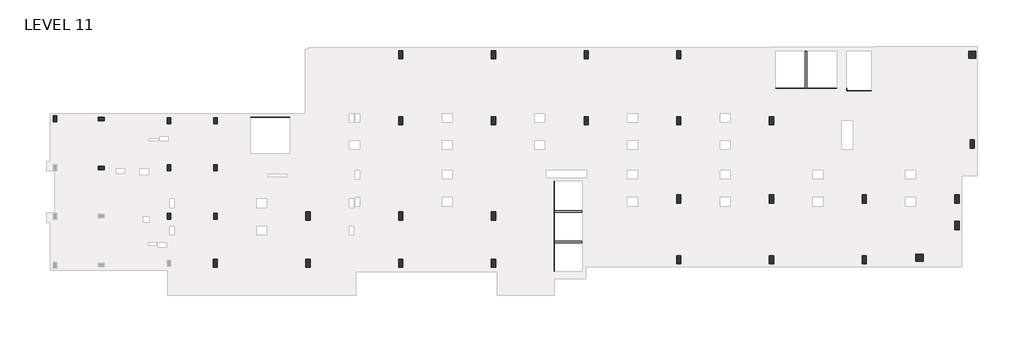
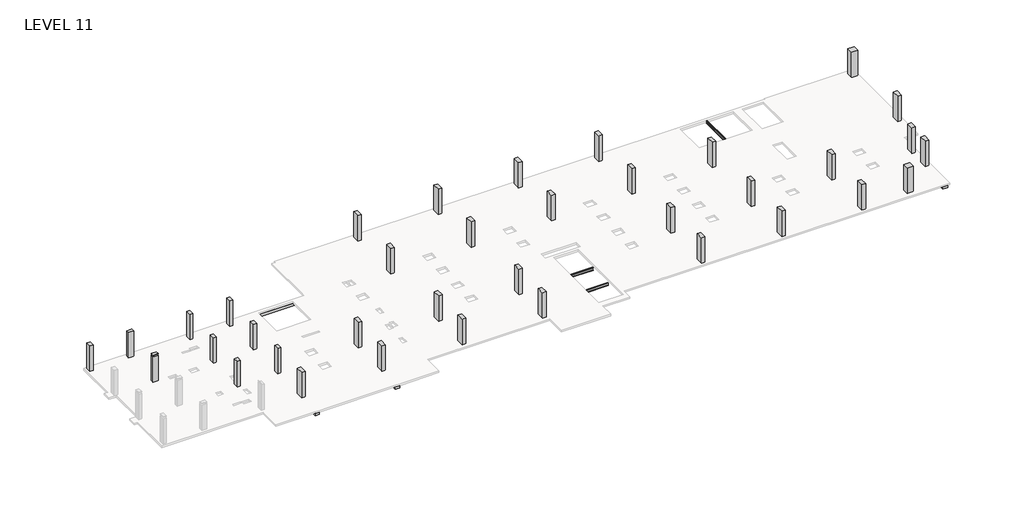
# One storey, part 2 of 2: 36 columns, 12 beams.
"""IFC4 building model written with IfcOpenShell, lengths in millimetres."""

import ifcopenshell
import ifcopenshell.guid

model = None  # the IFC model being written
_history = None  # IfcOwnerHistory: only IFC2X3 demands one
_inside = {}  # id of a spatial element -> (the spatial element, [elements in it])
_under = {}  # id of a project, library or spatial element -> (it, [spatial elements below it])
_declared = {}  # id of a project -> (the project, [libraries it declares])
_typed = {}  # id of a type object -> (the type object, [elements of that type])
_made_of = {}  # id of a material, layer set ... -> (it, [elements and type objects made of it])


def new_model(schema):
    """Start an empty IFC model of exactly this schema.

    Asked for "IFC4X3", IfcOpenShell would pick the latest addendum, in which some entities
    have other attributes; the version numbers below select the first issue.
    IFC2X3 requires an IfcOwnerHistory on every rooted entity: one is made here for all.
    """
    global model, _history
    if schema == "IFC4X3":
        model = ifcopenshell.file(schema_version=(4, 3, 0, 0))
    else:
        model = ifcopenshell.file(schema=schema)
    _inside.clear()
    _under.clear()
    _declared.clear()
    _typed.clear()
    _made_of.clear()
    _history = None
    if model.schema == "IFC2X3":
        org = make("IfcOrganization", Name="unknown")
        user = make(
            "IfcPersonAndOrganization",
            ThePerson=make("IfcPerson", FamilyName="unknown"),
            TheOrganization=org,
        )
        app = make(
            "IfcApplication",
            ApplicationDeveloper=org,
            Version="unknown",
            ApplicationFullName="unknown",
            ApplicationIdentifier="unknown",
        )
        _history = make(
            "IfcOwnerHistory",
            OwningUser=user,
            OwningApplication=app,
            ChangeAction="ADDED",
            CreationDate=0,
        )
    return model


def make(cls, **values):
    """One entity of the class cls with the attributes given. An attribute that is None is left unset."""
    return model.create_entity(
        cls, **{name: value for name, value in values.items() if value is not None}
    )


def rooted(cls, **values):
    """An entity with a GlobalId (a new one), such as an element, a storey or a relation."""
    return make(cls, GlobalId=ifcopenshell.guid.new(), OwnerHistory=_history, **values)


def si_unit(unit_type, name, prefix=None):
    """IfcSIUnit, for example si_unit("LENGTHUNIT", "METRE", prefix="MILLI")."""
    return make("IfcSIUnit", UnitType=unit_type, Prefix=prefix, Name=name)


def assignment(units):
    """IfcUnitAssignment: the units of a project."""
    return None if units is None else make("IfcUnitAssignment", Units=units)


def point(xyz):
    """IfcCartesianPoint."""
    return None if xyz is None else make("IfcCartesianPoint", Coordinates=xyz)


def direction(xyz):
    """IfcDirection."""
    return None if xyz is None else make("IfcDirection", DirectionRatios=xyz)


def frame(location, z_axis=None, x_axis=None):
    """IfcAxis2Placement3D, a coordinate frame: its origin and axes. An axis left out is left unset."""
    return make(
        "IfcAxis2Placement3D",
        Location=point(location),
        Axis=direction(z_axis),
        RefDirection=direction(x_axis),
    )


def frame_2d(location, x_axis=None):
    """IfcAxis2Placement2D, a coordinate frame in the plane: its origin and x axis."""
    return make(
        "IfcAxis2Placement2D", Location=point(location), RefDirection=direction(x_axis)
    )


def origin():
    """The frame at (0, 0, 0) with its axes left unset."""
    return frame((0.0, 0.0, 0.0))


def place(relative_to, where):
    """IfcLocalPlacement: puts the frame where relative to a parent placement (None: the world)."""
    return make(
        "IfcLocalPlacement", PlacementRelTo=relative_to, RelativePlacement=where
    )


def context(
    kind, dimensions, precision=None, world=None, true_north=None, identifier=None
):
    """IfcGeometricRepresentationContext, for example the 3D "Model" context."""
    return make(
        "IfcGeometricRepresentationContext",
        ContextIdentifier=identifier,
        ContextType=kind,
        CoordinateSpaceDimension=dimensions,
        Precision=precision,
        WorldCoordinateSystem=world,
        TrueNorth=true_north,
    )


def project(units=None, contexts=None):
    """IfcProject with its units and contexts."""
    return rooted(
        "IfcProject",
        Name="project",
        RepresentationContexts=contexts,
        UnitsInContext=assignment(units),
    )


def spatial(cls, under=None, at=None, **own):
    """A site, building, storey or space (cls), placed at a placement, below another one or the project."""
    s = rooted(cls, ObjectPlacement=at, **own)
    if under is not None:
        _under.setdefault(under.id(), (under, []))[1].append(s)
    return s


def polyline(points):
    """IfcPolyline through the points."""
    return make("IfcPolyline", Points=[point(p) for p in points])


def circle_curve(where, radius):
    """IfcCircle in the frame where."""
    return make("IfcCircle", Position=where, Radius=radius)


def trimmed(basis, trim1, trim2, sense, master):
    """IfcTrimmedCurve: the piece of a basis curve between two trims."""
    return make(
        "IfcTrimmedCurve",
        BasisCurve=basis,
        Trim1=trim1,
        Trim2=trim2,
        SenseAgreement=sense,
        MasterRepresentation=master,
    )


def segment(curve, same_sense, transition):
    """IfcCompositeCurveSegment."""
    return make(
        "IfcCompositeCurveSegment",
        Transition=transition,
        SameSense=same_sense,
        ParentCurve=curve,
    )


def composite_curve(segments, self_intersect=None):
    """IfcCompositeCurve: segments joined end to end."""
    return make("IfcCompositeCurve", Segments=segments, SelfIntersect=self_intersect)


def outline(outer, holes=None, kind="AREA"):
    """IfcArbitraryClosedProfileDef: a profile drawn as a closed curve; with holes, ...WithVoids."""
    if holes is None:
        return make("IfcArbitraryClosedProfileDef", ProfileType=kind, OuterCurve=outer)
    return make(
        "IfcArbitraryProfileDefWithVoids",
        ProfileType=kind,
        OuterCurve=outer,
        InnerCurves=holes,
    )


def extrude(swept, where, along, depth):
    """IfcExtrudedAreaSolid: the profile swept, set in the frame where, extruded along a direction by depth."""
    return make(
        "IfcExtrudedAreaSolid",
        SweptArea=swept,
        Position=where,
        ExtrudedDirection=direction(along),
        Depth=depth,
    )


def faces_of(points, faces, orient=None, outer=None):
    """IfcFace entities. A face is a list of loops; a loop is a list of indices into points, from 0.

    orient and outer hold one flag for each loop. By default every Orientation is true, the
    first loop of a face is its IfcFaceOuterBound and the others are IfcFaceBound.
    """
    made = []
    for i, loops in enumerate(faces):
        bounds = []
        for j, loop in enumerate(loops):
            is_outer = j == 0 if outer is None else outer[i][j]
            bounds.append(
                make(
                    "IfcFaceOuterBound" if is_outer else "IfcFaceBound",
                    Bound=make("IfcPolyLoop", Polygon=[points[k] for k in loop]),
                    Orientation=True if orient is None else orient[i][j],
                )
            )
        made.append(make("IfcFace", Bounds=bounds))
    return made


def faceted_brep(points, faces, orient=None, outer=None, voids=None):
    """IfcFacetedBrep: a solid bounded by flat faces; with voids (closed shells), ...WithVoids."""
    shared = [point(p) for p in points]
    hull = make("IfcClosedShell", CfsFaces=faces_of(shared, faces, orient, outer))
    if voids is None:
        return make("IfcFacetedBrep", Outer=hull)
    return make(
        "IfcFacetedBrepWithVoids",
        Outer=hull,
        Voids=[
            make(cls, CfsFaces=faces_of(shared, fs, o, b)) for cls, fs, o, b in voids
        ],
    )


def shape(context_of_items, identifier, shape_type, items):
    """IfcShapeRepresentation: the items that make up one representation, for example the "Body"."""
    return make(
        "IfcShapeRepresentation",
        ContextOfItems=context_of_items,
        RepresentationIdentifier=identifier,
        RepresentationType=shape_type,
        Items=items,
    )


def source(mapping_origin, context_of_items, identifier, shape_type, items):
    """IfcRepresentationMap: a shape defined once, which mapped items show again and again."""
    return make(
        "IfcRepresentationMap",
        MappingOrigin=mapping_origin,
        MappedRepresentation=shape(context_of_items, identifier, shape_type, items),
    )


def transform(
    local_origin,
    x_axis=None,
    y_axis=None,
    z_axis=None,
    scale=None,
    scale2=None,
    scale3=None,
    uniform=True,
):
    """IfcCartesianTransformationOperator3D, or its non-uniform kind. x_axis, y_axis, z_axis: its Axis1, 2, 3."""
    if uniform:
        return make(
            "IfcCartesianTransformationOperator3D",
            Axis1=direction(x_axis),
            Axis2=direction(y_axis),
            LocalOrigin=point(local_origin),
            Scale=scale,
            Axis3=direction(z_axis),
        )
    return make(
        "IfcCartesianTransformationOperator3DnonUniform",
        Axis1=direction(x_axis),
        Axis2=direction(y_axis),
        LocalOrigin=point(local_origin),
        Scale=scale,
        Axis3=direction(z_axis),
        Scale2=scale2,
        Scale3=scale3,
    )


def mapped(mapping_source, mapping_target):
    """IfcMappedItem: shows the shape of a source again, moved by a transform."""
    return make(
        "IfcMappedItem", MappingSource=mapping_source, MappingTarget=mapping_target
    )


def made_of(thing, what):
    """Note that an element or type object is made of a material, layer set ...; save() writes the relation."""
    if what is not None:
        _made_of.setdefault(what.id(), (what, []))[1].append(thing)
    return thing


def element(
    cls,
    number,
    at=None,
    inside=None,
    cuts=None,
    type_object=None,
    material=None,
    context=None,
    identifier="Body",
    shape_type=None,
    held_by="IfcProductDefinitionShape",
    body=None,
    shapes=None,
    **own,
):
    """One element of the class cls, such as IfcWall. Its Tag is "e" and its number.

    at: its placement. inside: the storey or other place that contains it. cuts: it is an
    opening in that element (IfcRelVoidsElement). A single representation is given by context,
    identifier, shape_type and body (its items); several are given by shapes. held_by: the class
    of the entity that holds the representations. save() writes the other relations.
    """
    e = rooted(cls, Tag="e%d" % number, ObjectPlacement=at, **own)
    if body is not None:
        shapes = [shape(context, identifier, shape_type, body)]
    if shapes is not None:
        e.Representation = make(held_by, Representations=shapes)
    if inside is not None:
        _inside.setdefault(inside.id(), (inside, []))[1].append(e)
    if cuts is not None:
        rooted(
            "IfcRelVoidsElement", RelatingBuildingElement=cuts, RelatedOpeningElement=e
        )
    if type_object is not None:
        _typed.setdefault(type_object.id(), (type_object, []))[1].append(e)
    return made_of(e, material)


def aggregate(whole, parts):
    """IfcRelAggregates: a whole, such as a stair, and the parts it consists of."""
    return rooted("IfcRelAggregates", RelatingObject=whole, RelatedObjects=parts)


def save(model, path):
    """Write the relations noted so far, then the file.

    IfcRelAggregates (storeys below a building ...), IfcRelContainedInSpatialStructure (elements
    in a storey), IfcRelDefinesByType, IfcRelAssociatesMaterial and IfcRelDeclares: one each for
    every whole, place, type object, material and project.
    """
    for whole, parts in _under.values():
        aggregate(whole, parts)
    for where, things in _inside.values():
        rooted(
            "IfcRelContainedInSpatialStructure",
            RelatedElements=things,
            RelatingStructure=where,
        )
    for kind, things in _typed.values():
        rooted("IfcRelDefinesByType", RelatedObjects=things, RelatingType=kind)
    for what, things in _made_of.values():
        rooted("IfcRelAssociatesMaterial", RelatedObjects=things, RelatingMaterial=what)
    for by, libraries in _declared.values():
        rooted("IfcRelDeclares", RelatingContext=by, RelatedDefinitions=libraries)
    model.write(path)


def w_wide_flange_w10x19_b56fd17f(model_context):
    return source(origin(), model_context, "Body", "SweptSolid", [
        extrude(outline(composite_curve([segment(polyline([(51.054, -119.507), (51.054, -129.54), (-51.054, -129.54), (-51.054, -119.507), (-16.9545, -119.507)]), True, "CONTINUOUS"), segment(trimmed(circle_curve(frame_2d((-16.9545, -105.7275)), 13.7795), [point((-16.9545, -119.507))], [point((-3.175, -105.7275))], True, "CARTESIAN"), True, "CONTINUOUS"), segment(polyline([(-3.175, -105.7275), (-3.175, 105.7275)]), True, "CONTINUOUS"), segment(trimmed(circle_curve(frame_2d((-16.9545, 105.7275)), 13.7795), [point((-3.175, 105.7275))], [point((-16.9545, 119.507))], True, "CARTESIAN"), True, "CONTINUOUS"), segment(polyline([(-16.9545, 119.507), (-51.054, 119.507), (-51.054, 129.54), (51.054, 129.54), (51.054, 119.507), (16.9545, 119.507)]), True, "CONTINUOUS"), segment(trimmed(circle_curve(frame_2d((16.9545, 105.7275)), 13.7795), [point((16.9545, 119.507))], [point((3.175, 105.7275))], True, "CARTESIAN"), True, "CONTINUOUS"), segment(polyline([(3.175, 105.7275), (3.175, -105.7275)]), True, "CONTINUOUS"), segment(trimmed(circle_curve(frame_2d((16.9545, -105.7275)), 13.7795), [point((3.175, -105.7275))], [point((16.9545, -119.507))], True, "CARTESIAN"), True, "CONTINUOUS"), segment(polyline([(16.9545, -119.507), (51.054, -119.507)]), True, "CONTINUOUS")], self_intersect=False)), frame((-1181.1, 0.0, 0.0), z_axis=(1.0, 0.0, 0.0), x_axis=(0.0, 1.0, 0.0)), (0.0, 0.0, 1.0), 2362.2),
    ])


model = new_model("IFC4")

# Units and contexts
model_context = context("Model", 3, world=origin())
ifc_project = project(units=[si_unit("LENGTHUNIT", "METRE", prefix="MILLI")], contexts=[model_context])

# Site, building, storey
site = spatial("IfcSite", under=ifc_project)
building = spatial("IfcBuilding", under=site)
storey = spatial("IfcBuildingStorey", under=building, Name="LEVEL 11", Elevation=33121.6)

# Beams
placement = place(None, origin())
element("IfcBeam", 1, ObjectType="Concrete-Rectangular Beam : BM(16x16)", at=placement, inside=storey, context=model_context, shape_type="SweptSolid", body=[
    extrude(outline(polyline([(1153.0389942, -36213.0107149), (746.6389942, -36213.0107149), (746.6389942, -29189.8962158), (797.4389942, -29189.8962158), (797.4389942, -29697.8962158), (1102.2389942, -29697.8962158), (1102.2389942, -29189.8962158), (1153.0389942, -29189.8962158), (1153.0389942, -36213.0107149)]), holes=[polyline([(1127.6389942, -33838.1107149), (1127.6389942, -33126.9107149), (772.0389942, -33126.9107149), (772.0389942, -33838.1107149), (1127.6389942, -33838.1107149)])]), frame((0.0, 0.0, 32715.2), z_axis=(0.0, 0.0, 1.0), x_axis=(1.0, 0.0, 0.0)), (0.0, 0.0, 1.0), 228.6),
])
element("IfcBeam", 2, ObjectType="Concrete-Rectangular Beam : BM(16x16)", at=placement, inside=storey, context=model_context, shape_type="SweptSolid", body=[
    extrude(outline(polyline([(9077.8389942, -36213.0107149), (8671.4389942, -36213.0107149), (8671.4389942, -29088.2962158), (8696.8389942, -29088.2962158), (8696.8389942, -29799.4962158), (9052.4389942, -29799.4962158), (9052.4389942, -29088.2962158), (9077.8389942, -29088.2962158), (9077.8389942, -36213.0107149)]), holes=[polyline([(9052.4389942, -33838.1107149), (9052.4389942, -33126.9107149), (8696.8389942, -33126.9107149), (8696.8389942, -33838.1107149), (9052.4389942, -33838.1107149)])]), frame((0.0, 0.0, 32715.2), z_axis=(0.0, 0.0, 1.0), x_axis=(1.0, 0.0, 0.0)), (0.0, 0.0, 1.0), 228.6),
])
element("IfcBeam", 3, ObjectType="UC Concrete-Rectangular Beam : 12\"x14\"", at=placement, inside=storey, context=model_context, shape_type="SweptSolid", body=[
    extrude(outline(polyline([(48846.3014942, -18816.5121146), (48846.3014942, -18511.7121146), (54078.7014942, -18511.7121146), (54078.7014942, -18816.5121146), (48846.3014942, -18816.5121146)])), frame((0.0, 0.0, 32766.0), z_axis=(0.0, 0.0, 1.0), x_axis=(1.0, 0.0, 0.0)), (0.0, 0.0, 1.0), 177.8),
])
element("IfcBeam", 4, ObjectType="UC Concrete-Rectangular Beam : 12\"x14\"", at=placement, inside=storey, context=model_context, shape_type="SweptSolid", body=[
    extrude(outline(polyline([(54931.1889942, -19051.9251747), (54931.1889942, -18747.1251747), (57025.1014942, -18747.1251747), (57025.1014942, -19051.9251747), (54931.1889942, -19051.9251747)])), frame((0.0, 0.0, 32766.0), z_axis=(0.0, 0.0, 1.0), x_axis=(1.0, 0.0, 0.0)), (0.0, 0.0, 1.0), 177.8),
])
element("IfcBeam", 5, ObjectType="UC Concrete-Rectangular Beam : 12\"x18\"", at=placement, inside=storey, context=model_context, shape_type="Brep", body=[
    faceted_brep([(8620.6389942, -20712.6903994, 32664.4), (797.4389942, -20712.6903994, 32664.4), (797.4389942, -20712.6903994, 32943.8), (8620.6389942, -20712.6903994, 32943.8), (797.4389942, -21017.4903994, 32664.4), (8620.6389942, -21017.4903994, 32664.4), (1102.2389942, -21017.4903994, 32664.4), (8620.6389942, -21017.4903994, 32943.8), (7325.2389942, -21017.4903994, 32943.8), (3972.4389942, -21017.4903994, 32943.8), (1102.2389942, -21017.4903994, 32943.8), (797.4389942, -21017.4903994, 32943.8)], [[[0, 1, 2, 3]], [[4, 1, 0, 5, 6]], [[4, 6, 5, 7, 8, 9, 10, 11]], [[1, 4, 11, 2]], [[5, 0, 3, 7]], [[3, 2, 11, 10, 9, 8, 7]]]),
])
element("IfcBeam", 6, ObjectType="UC Concrete-Rectangular Beam : 12\"x18\"", at=placement, inside=storey, context=model_context, shape_type="SweptSolid", body=[
    extrude(outline(polyline([(797.4389942, -21017.4903994), (1102.2389942, -21017.4903994), (1102.2389942, -21036.5107149), (797.4389942, -21036.5107149), (797.4389942, -21017.4903994)])), frame((0.0, 0.0, 32664.4), z_axis=(0.0, 0.0, 1.0), x_axis=(1.0, 0.0, 0.0)), (0.0, 0.0, 1.0), 279.4),
])
element("IfcBeam", 7, ObjectType="UC Concrete-Rectangular Beam : 12\"x18\"", at=placement, inside=storey, context=model_context, shape_type="SweptSolid", body=[
    extrude(outline(polyline([(29607.3889942, -26472.1107149), (29912.1889942, -26472.1107149), (29912.1889942, -34485.8107149), (29607.3889942, -34485.8107149), (29607.3889942, -26472.1107149)])), frame((0.0, 0.0, 32359.6), z_axis=(0.0, 0.0, 1.0), x_axis=(1.0, 0.0, 0.0)), (0.0, 0.0, 1.0), 457.2),
])
element("IfcBeam", 8, ObjectType="UC Concrete-Rectangular Beam : 20\"x16\"", at=placement, inside=storey, context=model_context, shape_type="SweptSolid", body=[
    extrude(outline(polyline([(64094.2389942, -27564.3107149), (64602.2389942, -27564.3107149), (64602.2389942, -33768.9619979), (64094.2389942, -33768.9619979), (64094.2389942, -27564.3107149)]), holes=[polyline([(64526.0389942, -28351.7107149), (64526.0389942, -27640.5107149), (64170.4389942, -27640.5107149), (64170.4389942, -28351.7107149), (64526.0389942, -28351.7107149)]), polyline([(64526.0389942, -30612.3107149), (64526.0389942, -29901.1107149), (64170.4389942, -29901.1107149), (64170.4389942, -30612.3107149), (64526.0389942, -30612.3107149)])]), frame((0.0, 0.0, 32715.2), z_axis=(0.0, 0.0, 1.0), x_axis=(1.0, 0.0, 0.0)), (0.0, 0.0, 1.0), 228.6),
])
element("IfcBeam", 9, ObjectType="UC Concrete-Rectangular Beam : 21.25\"x14\"", at=placement, inside=storey, context=model_context, shape_type="Brep", body=[
    faceted_brep([(54080.2889942, -19051.9251747, 32766.0), (54080.2889942, -19051.9251747, 32943.8), (54080.2889942, -18941.0107149, 32943.8), (54080.2889942, -18941.0107149, 32766.0), (54931.1889942, -19051.9251747, 32766.0), (54931.1889942, -19051.9251747, 32943.8), (54383.5014942, -18941.0107149, 32766.0), (54383.5014942, -18512.1751747, 32766.0), (54931.1889942, -18512.1751747, 32766.0), (54931.1889942, -18747.1251747, 32766.0), (54931.1889942, -18512.1751747, 32943.8), (54383.5014942, -18512.1751747, 32943.8), (54931.1889942, -18747.1251747, 32943.8), (54383.5014942, -18941.0107149, 32943.8)], [[[0, 1, 2, 3]], [[0, 4, 5, 1]], [[4, 0, 3, 6, 7, 8, 9]], [[10, 8, 7, 11]], [[4, 9, 8, 10, 12, 5]], [[1, 5, 12, 10, 11, 13, 2]], [[6, 13, 11, 7]], [[13, 6, 3, 2]]]),
])
element("IfcBeam", 10, ObjectType="W-Wide Flange : W10x19", at=placement, inside=storey, context=model_context, shape_type="SweptSolid", body=[
    extrude(outline(composite_curve([segment(polyline([(32872.553, 51393.5049061), (32862.52, 51393.5049061), (32862.52, 51495.6129061), (32872.553, 51495.6129061), (32872.553, 51461.5134061)]), True, "CONTINUOUS"), segment(trimmed(circle_curve(frame_2d((32886.3325, 51461.5134061)), 13.7795), [point((32872.553, 51461.5134061))], [point((32886.3325, 51447.7339061))], True, "CARTESIAN"), True, "CONTINUOUS"), segment(polyline([(32886.3325, 51447.7339061), (33097.7875, 51447.7339061)]), True, "CONTINUOUS"), segment(trimmed(circle_curve(frame_2d((33097.7875, 51461.5134061)), 13.7795), [point((33097.7875, 51447.7339061))], [point((33111.567, 51461.5134061))], True, "CARTESIAN"), True, "CONTINUOUS"), segment(polyline([(33111.567, 51461.5134061), (33111.567, 51495.6129061), (33121.6, 51495.6129061), (33121.6, 51393.5049061), (33111.567, 51393.5049061), (33111.567, 51427.6044061)]), True, "CONTINUOUS"), segment(trimmed(circle_curve(frame_2d((33097.7875, 51427.6044061)), 13.7795), [point((33111.567, 51427.6044061))], [point((33097.7875, 51441.3839061))], True, "CARTESIAN"), True, "CONTINUOUS"), segment(polyline([(33097.7875, 51441.3839061), (32886.3325, 51441.3839061)]), True, "CONTINUOUS"), segment(trimmed(circle_curve(frame_2d((32886.3325, 51427.6044061)), 13.7795), [point((32886.3325, 51441.3839061))], [point((32872.553, 51427.6044061))], True, "CARTESIAN"), True, "CONTINUOUS"), segment(polyline([(32872.553, 51427.6044061), (32872.553, 51393.5049061)]), True, "CONTINUOUS")], self_intersect=False)), frame((0.0, -18499.0121146, 0.0), z_axis=(0.0, 1.0, 0.0), x_axis=(0.0, 0.0, 1.0)), (0.0, 0.0, 1.0), 3152.1013996),
])
w_wide_flange_w10x19_shape = w_wide_flange_w10x19_b56fd17f(model_context)
element("IfcBeam", 11, ObjectType="W-Wide Flange : W10x19", at=placement, inside=storey, context=model_context, shape_type="MappedRepresentation", body=[
    mapped(w_wide_flange_w10x19_shape, transform((31105.9889942, -31660.0607149, 32687.26), x_axis=(1.0, 0.0, 0.0), y_axis=(0.0, 1.0, 0.0), z_axis=(0.0, 0.0, 1.0))),
])
element("IfcBeam", 12, ObjectType="W-Wide Flange : W10x19", at=placement, inside=storey, context=model_context, shape_type="MappedRepresentation", body=[
    mapped(w_wide_flange_w10x19_shape, transform((31105.9889942, -29062.9107149, 32687.26), x_axis=(1.0, 0.0, 0.0), y_axis=(0.0, 1.0, 0.0), z_axis=(0.0, 0.0, 1.0))),
])

# Columns
element("IfcColumn", 13, ObjectType="UC Concrete-Rectangular-Column : 12 x 20", at=placement, inside=storey, context=model_context, shape_type="SweptSolid", body=[
    extrude(outline(polyline([(-12613.7610058, -20884.1107149), (-12613.7610058, -21392.1107149), (-12918.5610058, -21392.1107149), (-12918.5610058, -20884.1107149), (-12613.7610058, -20884.1107149)])), frame((0.0, 0.0, 33121.6), z_axis=(0.0, 0.0, 1.0), x_axis=(1.0, 0.0, 0.0)), (0.0, 0.0, 1.0), 2667.0),
])
element("IfcColumn", 14, ObjectType="UC Concrete-Rectangular-Column : 12 x 20", at=placement, inside=storey, context=model_context, shape_type="SweptSolid", body=[
    extrude(outline(polyline([(-9057.7610058, -20985.7107149), (-8549.7610058, -20985.7107149), (-8549.7610058, -21290.5107149), (-9057.7610058, -21290.5107149), (-9057.7610058, -20985.7107149)])), frame((0.0, 0.0, 33121.6), z_axis=(0.0, 0.0, 1.0), x_axis=(1.0, 0.0, 0.0)), (0.0, 0.0, 1.0), 2667.0),
])
element("IfcColumn", 15, ObjectType="UC Concrete-Rectangular-Column : 12 x 20", at=placement, inside=storey, context=model_context, shape_type="SweptSolid", body=[
    extrude(outline(polyline([(1102.2389942, -21036.5107149), (1102.2389942, -21544.5107149), (797.4389942, -21544.5107149), (797.4389942, -21036.5107149), (1102.2389942, -21036.5107149)])), frame((0.0, 0.0, 33121.6), z_axis=(0.0, 0.0, 1.0), x_axis=(1.0, 0.0, 0.0)), (0.0, 0.0, 1.0), 2667.0),
])
element("IfcColumn", 16, ObjectType="UC Concrete-Rectangular-Column : 12 x 20", at=placement, inside=storey, context=model_context, shape_type="SweptSolid", body=[
    extrude(outline(polyline([(-9057.7610058, -25176.6962939), (-8549.7610058, -25176.6962939), (-8549.7610058, -25481.4962939), (-9057.7610058, -25481.4962939), (-9057.7610058, -25176.6962939)])), frame((0.0, 0.0, 33121.6), z_axis=(0.0, 0.0, 1.0), x_axis=(1.0, 0.0, 0.0)), (0.0, 0.0, 1.0), 2667.0),
    extrude(outline(polyline([(-9057.7610058, -25176.6962939), (-8549.7610058, -25176.6962939), (-8549.7610058, -25481.4962939), (-9057.7610058, -25481.4962939), (-9057.7610058, -25176.6962939)])), frame((0.0, 0.0, 35915.6), z_axis=(0.0, 0.0, 1.0), x_axis=(1.0, 0.0, 0.0)), (0.0, 0.0, 1.0), 50.8),
])
element("IfcColumn", 17, ObjectType="UC Concrete-Rectangular-Column : 12 x 20", at=placement, inside=storey, context=model_context, shape_type="SweptSolid", body=[
    extrude(outline(polyline([(1102.2389942, -25075.0962939), (1102.2389942, -25583.0962939), (797.4389942, -25583.0962939), (797.4389942, -25075.0962939), (1102.2389942, -25075.0962939)])), frame((0.0, 0.0, 33121.6), z_axis=(0.0, 0.0, 1.0), x_axis=(1.0, 0.0, 0.0)), (0.0, 0.0, 1.0), 2667.0),
])
element("IfcColumn", 18, ObjectType="UC Concrete-Rectangular-Column : 12 x 20", at=placement, inside=storey, context=model_context, shape_type="SweptSolid", body=[
    extrude(outline(polyline([(1102.2389942, -29189.8962158), (1102.2389942, -29697.8962158), (797.4389942, -29697.8962158), (797.4389942, -29189.8962158), (1102.2389942, -29189.8962158)])), frame((0.0, 0.0, 33121.6), z_axis=(0.0, 0.0, 1.0), x_axis=(1.0, 0.0, 0.0)), (0.0, 0.0, 1.0), 2667.0),
])
element("IfcColumn", 19, ObjectType="UC Concrete-Rectangular-Column : 12 x 20", at=placement, inside=storey, context=model_context, shape_type="SweptSolid", body=[
    extrude(outline(polyline([(-2860.1610058, -21036.5107149), (-2860.1610058, -21544.5107149), (-3164.9610058, -21544.5107149), (-3164.9610058, -21036.5107149), (-2860.1610058, -21036.5107149)])), frame((0.0, 0.0, 33121.6), z_axis=(0.0, 0.0, 1.0), x_axis=(1.0, 0.0, 0.0)), (0.0, 0.0, 1.0), 2667.0),
])
element("IfcColumn", 20, ObjectType="UC Concrete-Rectangular-Column : 12 x 20", at=placement, inside=storey, context=model_context, shape_type="SweptSolid", body=[
    extrude(outline(polyline([(-2860.1610058, -25075.0962939), (-2860.1610058, -25583.0962939), (-3164.9610058, -25583.0962939), (-3164.9610058, -25075.0962939), (-2860.1610058, -25075.0962939)])), frame((0.0, 0.0, 33121.6), z_axis=(0.0, 0.0, 1.0), x_axis=(1.0, 0.0, 0.0)), (0.0, 0.0, 1.0), 2667.0),
])
element("IfcColumn", 21, ObjectType="UC Concrete-Rectangular-Column : 12 x 20", at=placement, inside=storey, context=model_context, shape_type="SweptSolid", body=[
    extrude(outline(polyline([(-2860.1610058, -29189.8962158), (-2860.1610058, -29697.8962158), (-3164.9610058, -29697.8962158), (-3164.9610058, -29189.8962158), (-2860.1610058, -29189.8962158)])), frame((0.0, 0.0, 33121.6), z_axis=(0.0, 0.0, 1.0), x_axis=(1.0, 0.0, 0.0)), (0.0, 0.0, 1.0), 2667.0),
])
element("IfcColumn", 22, ObjectType="UC Concrete-Rectangular-Column : 14 x 28", at=placement, inside=storey, context=model_context, shape_type="Brep", body=[
    faceted_brep([(1127.6389942, -33126.9107149, 33121.6), (1127.6389942, -33838.1107149, 33121.6), (772.0389942, -33838.1107149, 33121.6), (772.0389942, -33126.9107149, 33121.6), (1127.6389942, -33126.9107149, 35560.0), (1127.6389942, -33126.9107149, 35788.6), (1127.6389942, -33838.1107149, 35788.6), (1127.6389942, -33838.1107149, 35560.0), (772.0389942, -33838.1107149, 35788.6), (772.0389942, -33838.1107149, 35560.0), (772.0389942, -33126.9107149, 35788.6), (772.0389942, -33126.9107149, 35560.0)], [[[0, 1, 2, 3]], [[1, 0, 4, 5, 6, 7]], [[2, 1, 7, 6, 8, 9]], [[3, 2, 9, 8, 10, 11]], [[0, 3, 11, 10, 5, 4]], [[6, 5, 10, 8]]]),
])
element("IfcColumn", 23, ObjectType="UC Concrete-Rectangular-Column : 14 x 28", at=placement, inside=storey, context=model_context, shape_type="Brep", body=[
    faceted_brep([(9052.4389942, -33126.9107149, 33121.6), (9052.4389942, -33838.1107149, 33121.6), (8696.8389942, -33838.1107149, 33121.6), (8696.8389942, -33126.9107149, 33121.6), (9052.4389942, -33126.9107149, 35560.0), (9052.4389942, -33126.9107149, 35788.6), (9052.4389942, -33838.1107149, 35788.6), (9052.4389942, -33838.1107149, 35560.0), (8696.8389942, -33838.1107149, 35788.6), (8696.8389942, -33838.1107149, 35560.0), (8696.8389942, -33126.9107149, 35788.6), (8696.8389942, -33126.9107149, 35560.0)], [[[0, 1, 2, 3]], [[1, 0, 4, 5, 6, 7]], [[2, 1, 7, 6, 8, 9]], [[3, 2, 9, 8, 10, 11]], [[0, 3, 11, 10, 5, 4]], [[6, 5, 10, 8]]]),
])
element("IfcColumn", 24, ObjectType="UC Concrete-Rectangular-Column : 14 x 28", at=placement, inside=storey, context=model_context, shape_type="SweptSolid", body=[
    extrude(outline(polyline([(9052.4389942, -29088.2962158), (9052.4389942, -29799.4962158), (8696.8389942, -29799.4962158), (8696.8389942, -29088.2962158), (9052.4389942, -29088.2962158)])), frame((0.0, 0.0, 33121.6), z_axis=(0.0, 0.0, 1.0), x_axis=(1.0, 0.0, 0.0)), (0.0, 0.0, 1.0), 2667.0),
])
element("IfcColumn", 25, ObjectType="UC Concrete-Rectangular-Column : 14 x 28", at=placement, inside=storey, context=model_context, shape_type="SweptSolid", body=[
    extrude(outline(polyline([(16977.2389942, -29088.2962158), (16977.2389942, -29799.4962158), (16621.6389942, -29799.4962158), (16621.6389942, -29088.2962158), (16977.2389942, -29088.2962158)])), frame((0.0, 0.0, 33121.6), z_axis=(0.0, 0.0, 1.0), x_axis=(1.0, 0.0, 0.0)), (0.0, 0.0, 1.0), 2667.0),
])
element("IfcColumn", 26, ObjectType="UC Concrete-Rectangular-Column : 14 x 28", at=placement, inside=storey, context=model_context, shape_type="SweptSolid", body=[
    extrude(outline(polyline([(16977.2389942, -33126.9107149), (16977.2389942, -33838.1107149), (16621.6389942, -33838.1107149), (16621.6389942, -33126.9107149), (16977.2389942, -33126.9107149)])), frame((0.0, 0.0, 33121.6), z_axis=(0.0, 0.0, 1.0), x_axis=(1.0, 0.0, 0.0)), (0.0, 0.0, 1.0), 2667.0),
])
element("IfcColumn", 27, ObjectType="UC Concrete-Rectangular-Column : 14 x 28", at=placement, inside=storey, context=model_context, shape_type="SweptSolid", body=[
    extrude(outline(polyline([(24902.0389942, -33126.9107149), (24902.0389942, -33838.1107149), (24546.4389942, -33838.1107149), (24546.4389942, -33126.9107149), (24902.0389942, -33126.9107149)])), frame((0.0, 0.0, 33121.6), z_axis=(0.0, 0.0, 1.0), x_axis=(1.0, 0.0, 0.0)), (0.0, 0.0, 1.0), 2667.0),
])
element("IfcColumn", 28, ObjectType="UC Concrete-Rectangular-Column : 14 x 28", at=placement, inside=storey, context=model_context, shape_type="SweptSolid", body=[
    extrude(outline(polyline([(24902.0389942, -29088.2962158), (24902.0389942, -29799.4962158), (24546.4389942, -29799.4962158), (24546.4389942, -29088.2962158), (24902.0389942, -29088.2962158)])), frame((0.0, 0.0, 33121.6), z_axis=(0.0, 0.0, 1.0), x_axis=(1.0, 0.0, 0.0)), (0.0, 0.0, 1.0), 2667.0),
])
element("IfcColumn", 29, ObjectType="UC Concrete-Rectangular-Column : 14 x 28", at=placement, inside=storey, context=model_context, shape_type="SweptSolid", body=[
    extrude(outline(polyline([(16977.2389942, -15296.1107149), (16977.2389942, -16007.3107149), (16621.6389942, -16007.3107149), (16621.6389942, -15296.1107149), (16977.2389942, -15296.1107149)])), frame((0.0, 0.0, 33121.6), z_axis=(0.0, 0.0, 1.0), x_axis=(1.0, 0.0, 0.0)), (0.0, 0.0, 1.0), 2667.0),
])
element("IfcColumn", 30, ObjectType="UC Concrete-Rectangular-Column : 14 x 28", at=placement, inside=storey, context=model_context, shape_type="SweptSolid", body=[
    extrude(outline(polyline([(16977.2389942, -20934.9107149), (16977.2389942, -21646.1107149), (16621.6389942, -21646.1107149), (16621.6389942, -20934.9107149), (16977.2389942, -20934.9107149)])), frame((0.0, 0.0, 33121.6), z_axis=(0.0, 0.0, 1.0), x_axis=(1.0, 0.0, 0.0)), (0.0, 0.0, 1.0), 2667.0),
])
element("IfcColumn", 31, ObjectType="UC Concrete-Rectangular-Column : 14 x 28", at=placement, inside=storey, context=model_context, shape_type="SweptSolid", body=[
    extrude(outline(polyline([(24902.0389942, -20934.9107149), (24902.0389942, -21646.1107149), (24546.4389942, -21646.1107149), (24546.4389942, -20934.9107149), (24902.0389942, -20934.9107149)])), frame((0.0, 0.0, 33121.6), z_axis=(0.0, 0.0, 1.0), x_axis=(1.0, 0.0, 0.0)), (0.0, 0.0, 1.0), 2667.0),
])
element("IfcColumn", 32, ObjectType="UC Concrete-Rectangular-Column : 14 x 28", at=placement, inside=storey, context=model_context, shape_type="SweptSolid", body=[
    extrude(outline(polyline([(24902.0389942, -15296.1107149), (24902.0389942, -16007.3107149), (24546.4389942, -16007.3107149), (24546.4389942, -15296.1107149), (24902.0389942, -15296.1107149)])), frame((0.0, 0.0, 33121.6), z_axis=(0.0, 0.0, 1.0), x_axis=(1.0, 0.0, 0.0)), (0.0, 0.0, 1.0), 2667.0),
])
element("IfcColumn", 33, ObjectType="UC Concrete-Rectangular-Column : 14 x 28", at=placement, inside=storey, context=model_context, shape_type="SweptSolid", body=[
    extrude(outline(polyline([(32826.8389942, -15296.1107149), (32826.8389942, -16007.3107149), (32471.2389942, -16007.3107149), (32471.2389942, -15296.1107149), (32826.8389942, -15296.1107149)])), frame((0.0, 0.0, 33121.6), z_axis=(0.0, 0.0, 1.0), x_axis=(1.0, 0.0, 0.0)), (0.0, 0.0, 1.0), 2667.0),
])
element("IfcColumn", 34, ObjectType="UC Concrete-Rectangular-Column : 14 x 28", at=placement, inside=storey, context=model_context, shape_type="SweptSolid", body=[
    extrude(outline(polyline([(32826.8389942, -20934.9107149), (32826.8389942, -21646.1107149), (32471.2389942, -21646.1107149), (32471.2389942, -20934.9107149), (32826.8389942, -20934.9107149)])), frame((0.0, 0.0, 33121.6), z_axis=(0.0, 0.0, 1.0), x_axis=(1.0, 0.0, 0.0)), (0.0, 0.0, 1.0), 2667.0),
])
element("IfcColumn", 35, ObjectType="UC Concrete-Rectangular-Column : 14 x 28", at=placement, inside=storey, context=model_context, shape_type="SweptSolid", body=[
    extrude(outline(polyline([(40751.6389942, -32822.1107149), (40751.6389942, -33533.3107149), (40396.0389942, -33533.3107149), (40396.0389942, -32822.1107149), (40751.6389942, -32822.1107149)])), frame((0.0, 0.0, 33121.6), z_axis=(0.0, 0.0, 1.0), x_axis=(1.0, 0.0, 0.0)), (0.0, 0.0, 1.0), 2667.0),
])
element("IfcColumn", 36, ObjectType="UC Concrete-Rectangular-Column : 14 x 28", at=placement, inside=storey, context=model_context, shape_type="SweptSolid", body=[
    extrude(outline(polyline([(40751.6389942, -27640.5107149), (40751.6389942, -28351.7107149), (40396.0389942, -28351.7107149), (40396.0389942, -27640.5107149), (40751.6389942, -27640.5107149)])), frame((0.0, 0.0, 33121.6), z_axis=(0.0, 0.0, 1.0), x_axis=(1.0, 0.0, 0.0)), (0.0, 0.0, 1.0), 2667.0),
])
element("IfcColumn", 37, ObjectType="UC Concrete-Rectangular-Column : 14 x 28", at=placement, inside=storey, context=model_context, shape_type="SweptSolid", body=[
    extrude(outline(polyline([(40751.6389942, -20934.9107149), (40751.6389942, -21646.1107149), (40396.0389942, -21646.1107149), (40396.0389942, -20934.9107149), (40751.6389942, -20934.9107149)])), frame((0.0, 0.0, 33121.6), z_axis=(0.0, 0.0, 1.0), x_axis=(1.0, 0.0, 0.0)), (0.0, 0.0, 1.0), 2667.0),
])
element("IfcColumn", 38, ObjectType="UC Concrete-Rectangular-Column : 14 x 28", at=placement, inside=storey, context=model_context, shape_type="SweptSolid", body=[
    extrude(outline(polyline([(40751.6389942, -15296.1107149), (40751.6389942, -16007.3107149), (40396.0389942, -16007.3107149), (40396.0389942, -15296.1107149), (40751.6389942, -15296.1107149)])), frame((0.0, 0.0, 33121.6), z_axis=(0.0, 0.0, 1.0), x_axis=(1.0, 0.0, 0.0)), (0.0, 0.0, 1.0), 2667.0),
])
element("IfcColumn", 39, ObjectType="UC Concrete-Rectangular-Column : 14 x 28", at=placement, inside=storey, context=model_context, shape_type="SweptSolid", body=[
    extrude(outline(polyline([(48676.4389942, -20934.9107149), (48676.4389942, -21646.1107149), (48320.8389942, -21646.1107149), (48320.8389942, -20934.9107149), (48676.4389942, -20934.9107149)])), frame((0.0, 0.0, 33121.6), z_axis=(0.0, 0.0, 1.0), x_axis=(1.0, 0.0, 0.0)), (0.0, 0.0, 1.0), 2667.0),
])
element("IfcColumn", 40, ObjectType="UC Concrete-Rectangular-Column : 14 x 28", at=placement, inside=storey, context=model_context, shape_type="SweptSolid", body=[
    extrude(outline(polyline([(48676.4389942, -32822.1107149), (48676.4389942, -33533.3107149), (48320.8389942, -33533.3107149), (48320.8389942, -32822.1107149), (48676.4389942, -32822.1107149)])), frame((0.0, 0.0, 33121.6), z_axis=(0.0, 0.0, 1.0), x_axis=(1.0, 0.0, 0.0)), (0.0, 0.0, 1.0), 2667.0),
])
element("IfcColumn", 41, ObjectType="UC Concrete-Rectangular-Column : 14 x 28", at=placement, inside=storey, context=model_context, shape_type="SweptSolid", body=[
    extrude(outline(polyline([(48676.4389942, -27640.5107149), (48676.4389942, -28351.7107149), (48320.8389942, -28351.7107149), (48320.8389942, -27640.5107149), (48676.4389942, -27640.5107149)])), frame((0.0, 0.0, 33121.6), z_axis=(0.0, 0.0, 1.0), x_axis=(1.0, 0.0, 0.0)), (0.0, 0.0, 1.0), 2667.0),
])
element("IfcColumn", 42, ObjectType="UC Concrete-Rectangular-Column : 14 x 28", at=placement, inside=storey, context=model_context, shape_type="SweptSolid", body=[
    extrude(outline(polyline([(56601.2389942, -27640.5107149), (56601.2389942, -28351.7107149), (56245.6389942, -28351.7107149), (56245.6389942, -27640.5107149), (56601.2389942, -27640.5107149)])), frame((0.0, 0.0, 33121.6), z_axis=(0.0, 0.0, 1.0), x_axis=(1.0, 0.0, 0.0)), (0.0, 0.0, 1.0), 2667.0),
])
element("IfcColumn", 43, ObjectType="UC Concrete-Rectangular-Column : 14 x 28", at=placement, inside=storey, context=model_context, shape_type="Brep", body=[
    faceted_brep([(64526.0389942, -27640.5107149, 33121.6), (64526.0389942, -28351.7107149, 33121.6), (64170.4389942, -28351.7107149, 33121.6), (64170.4389942, -27640.5107149, 33121.6), (64526.0389942, -27640.5107149, 35560.0), (64526.0389942, -27640.5107149, 35788.6), (64526.0389942, -28351.7107149, 35788.6), (64526.0389942, -28351.7107149, 35560.0), (64170.4389942, -28351.7107149, 35788.6), (64170.4389942, -28351.7107149, 35560.0), (64170.4389942, -27640.5107149, 35788.6), (64170.4389942, -27640.5107149, 35560.0)], [[[0, 1, 2, 3]], [[1, 0, 4, 5, 6, 7]], [[2, 1, 7, 6, 8, 9]], [[3, 2, 9, 8, 10, 11]], [[0, 3, 11, 10, 5, 4]], [[6, 5, 10, 8]]]),
])
element("IfcColumn", 44, ObjectType="UC Concrete-Rectangular-Column : 14 x 28", at=placement, inside=storey, context=model_context, shape_type="Brep", body=[
    faceted_brep([(64526.0389942, -29901.1107149, 33121.6), (64526.0389942, -30612.3107149, 33121.6), (64170.4389942, -30612.3107149, 33121.6), (64170.4389942, -29901.1107149, 33121.6), (64526.0389942, -29901.1107149, 35560.0), (64526.0389942, -29901.1107149, 35788.6), (64526.0389942, -30612.3107149, 35788.6), (64526.0389942, -30612.3107149, 35560.0), (64170.4389942, -30612.3107149, 35788.6), (64170.4389942, -30612.3107149, 35560.0), (64170.4389942, -29901.1107149, 35788.6), (64170.4389942, -29901.1107149, 35560.0)], [[[0, 1, 2, 3]], [[1, 0, 4, 5, 6, 7]], [[2, 1, 7, 6, 8, 9]], [[3, 2, 9, 8, 10, 11]], [[0, 3, 11, 10, 5, 4]], [[6, 5, 10, 8]]]),
])
element("IfcColumn", 45, ObjectType="UC Concrete-Rectangular-Column : 14 x 28", at=placement, inside=storey, context=model_context, shape_type="SweptSolid", body=[
    extrude(outline(polyline([(65840.1210466, -22916.0962939), (65840.1210466, -23627.2962939), (65484.5210466, -23627.2962939), (65484.5210466, -22916.0962939), (65840.1210466, -22916.0962939)])), frame((0.0, 0.0, 33121.6), z_axis=(0.0, 0.0, 1.0), x_axis=(1.0, 0.0, 0.0)), (0.0, 0.0, 1.0), 2667.0),
])
element("IfcColumn", 46, ObjectType="UC Concrete-Rectangular-Column : 14 x 28", at=placement, inside=storey, context=model_context, shape_type="SweptSolid", body=[
    extrude(outline(polyline([(56601.2389942, -32822.1107149), (56601.2389942, -33533.3107149), (56245.6389942, -33533.3107149), (56245.6389942, -32822.1107149), (56601.2389942, -32822.1107149)])), frame((0.0, 0.0, 33121.6), z_axis=(0.0, 0.0, 1.0), x_axis=(1.0, 0.0, 0.0)), (0.0, 0.0, 1.0), 2667.0),
])
element("IfcColumn", 47, ObjectType="UC Concrete-Rectangular-Column : 24 x 24", at=placement, inside=storey, context=model_context, shape_type="SweptSolid", body=[
    extrude(outline(polyline([(65967.1210466, -15348.3627877), (65967.1210466, -15957.9627877), (65357.5210466, -15957.9627877), (65357.5210466, -15348.3627877), (65967.1210466, -15348.3627877)])), frame((0.0, 0.0, 33121.6), z_axis=(0.0, 0.0, 1.0), x_axis=(1.0, 0.0, 0.0)), (0.0, 0.0, 1.0), 2667.0),
])
element("IfcColumn", 48, ObjectType="UC Concrete-Rectangular-Column : 24 x 24", at=placement, inside=storey, context=model_context, shape_type="SweptSolid", body=[
    extrude(outline(polyline([(61453.141098, -32695.1107149), (61453.141098, -33304.7107149), (60843.541098, -33304.7107149), (60843.541098, -32695.1107149), (61453.141098, -32695.1107149)])), frame((0.0, 0.0, 33121.6), z_axis=(0.0, 0.0, 1.0), x_axis=(1.0, 0.0, 0.0)), (0.0, 0.0, 1.0), 2667.0),
])

save(model, "model.ifc")
